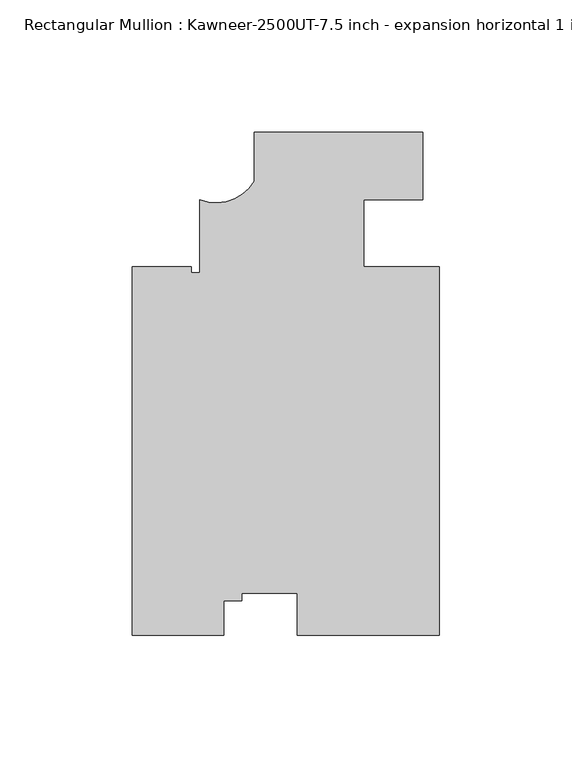
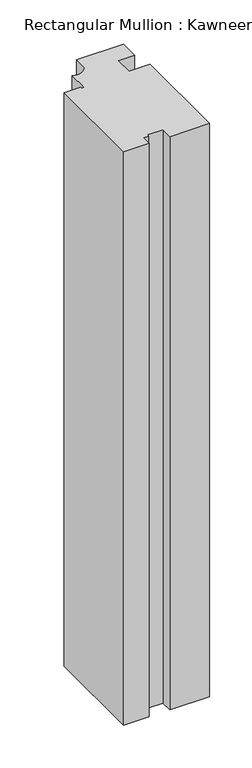
"""IFC4 building model written with IfcOpenShell, lengths in millimetres: member geometry, Rectangular Mullion : Kawneer-2500UT-7.5 inch - expansion horizontal 1 inch infill."""

from ifc_helpers import new_model, si_unit, point, frame, frame_2d, origin, place, context, project, spatial, polyline, circle_curve, trimmed, segment, composite_curve, outline, extrude, source, transform, mapped, element, save


def rectangular_mullion_kawneer_2500ut_7_5_inch_expansion_aa8a5d9b(model_context):
    return source(origin(), model_context, "Body", "SweptSolid", [
        extrude(outline(composite_curve([segment(polyline([(38.1, -50.8004525), (38.1, -189.992), (-15.515046, -189.992), (-15.515046, -174.0935955), (-36.5270686, -174.0935955), (-36.5270686, -176.9409658), (-43.3850683, -176.9409658), (-43.3850683, -189.984765), (-77.8761792, -189.984765), (-77.8761792, -50.8004538), (-55.5858561, -50.8), (-55.5858097, -53.078765), (-52.4109228, -53.078765), (-52.4109228, -25.4)]), True, "CONTINUOUS"), segment(trimmed(circle_curve(frame_2d((-46.1559825, -9.8669201)), 16.7451739), [point((-52.4109228, -25.4))], [point((-31.75, -18.4032259))], True, "CARTESIAN"), True, "CONTINUOUS"), segment(polyline([(-31.75, -18.4032259), (-31.75, 0.0), (31.75, 0.0), (31.75, -25.3891318)]), True, "CONTINUOUS"), segment(trimmed(circle_curve(frame_2d((27.4492482, -486.4078197)), 461.0387479), [point((31.75, -25.3891318))], [point((9.525, -25.7176327))], True, "CARTESIAN"), True, "CONTINUOUS"), segment(polyline([(9.525, -25.7176327), (9.525, -50.7998707), (38.1, -50.8004525)]), True, "CONTINUOUS")], self_intersect=False)), frame((0.0, 0.0, -819.149997), z_axis=(0.0, 0.0, 1.0), x_axis=(1.0, 0.0, 0.0)), (0.0, 0.0, 1.0), 819.149997),
    ])


if __name__ == "__main__":
    model = new_model("IFC4")
    model_context = context("Model", 3, world=origin())
    ifc_project = project(units=[si_unit("LENGTHUNIT", "METRE", prefix="MILLI")], contexts=[model_context])
    site = spatial("IfcSite", under=ifc_project)
    building = spatial("IfcBuilding", under=site)
    placement = place(None, origin())
    rectangular_mullion_kawneer_2500ut_7_5_inch_expansion_shape = rectangular_mullion_kawneer_2500ut_7_5_inch_expansion_aa8a5d9b(model_context)
    element("IfcMember", 1, ObjectType="Rectangular Mullion : Kawneer-2500UT-7.5 inch - expansion horizontal 1 inch infill", at=placement, inside=building, context=model_context, shape_type="MappedRepresentation", body=[
        mapped(rectangular_mullion_kawneer_2500ut_7_5_inch_expansion_shape, transform((0.0, 0.0, 0.0), x_axis=(1.0, 0.0, 0.0), y_axis=(0.0, 1.0, 0.0), z_axis=(0.0, 0.0, 1.0))),
    ])
    save(model, "model.ifc")
